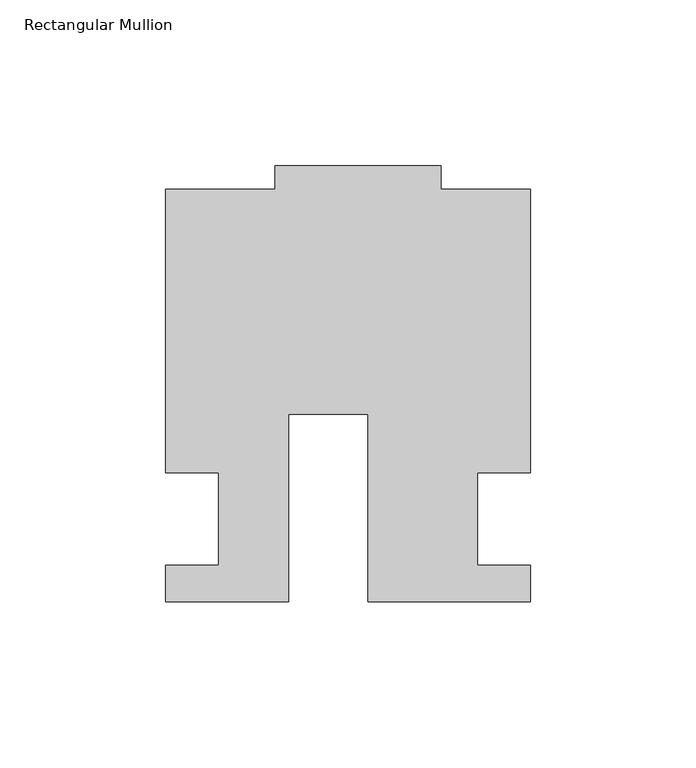
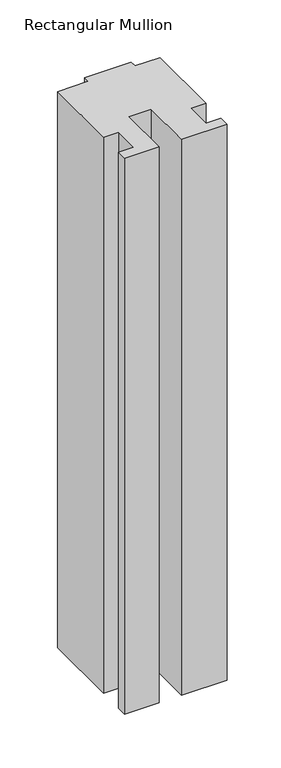
"""IFC4 building model written with IfcOpenShell, lengths in millimetres: member geometry, Rectangular Mullion."""

from ifc_helpers import new_model, si_unit, frame, origin, place, context, project, spatial, polyline, outline, extrude, source, transform, mapped, element, save


def rectangular_mullion_4873d9d8(model_context):
    return source(origin(), model_context, "Body", "SweptSolid", [
        extrude(outline(polyline([(-24.0309529, -25.0), (-61.0409135, -25.0), (-61.0409135, -14.0), (-44.9971154, -14.0), (-44.9971154, 14.0), (-60.9971154, 14.0), (-60.9971154, 99.4999439), (-27.9971154, 99.4999439), (-27.9971154, 106.5), (22.0028846, 106.5), (22.0028846, 99.5), (49.0, 99.5), (49.0, 14.0), (32.9971154, 14.0), (32.9971154, -14.0), (49.0, -14.0), (49.0, -25.0), (0.0, -25.0), (0.0, 31.6008577), (-24.0309529, 31.6008577), (-24.0309529, -25.0)])), frame((0.0, 0.0, -629.9889993), z_axis=(0.0, 0.0, 1.0), x_axis=(1.0, 0.0, 0.0)), (0.0, 0.0, 1.0), 629.9889993),
    ])


if __name__ == "__main__":
    model = new_model("IFC4")
    model_context = context("Model", 3, world=origin())
    ifc_project = project(units=[si_unit("LENGTHUNIT", "METRE", prefix="MILLI")], contexts=[model_context])
    site = spatial("IfcSite", under=ifc_project)
    building = spatial("IfcBuilding", under=site)
    placement = place(None, origin())
    rectangular_mullion_shape = rectangular_mullion_4873d9d8(model_context)
    element("IfcMember", 1, ObjectType="Rectangular Mullion", at=placement, inside=building, context=model_context, shape_type="MappedRepresentation", body=[
        mapped(rectangular_mullion_shape, transform((0.0, 0.0, 0.0), x_axis=(1.0, 0.0, 0.0), y_axis=(0.0, 1.0, 0.0), z_axis=(0.0, 0.0, 1.0))),
    ])
    save(model, "model.ifc")
